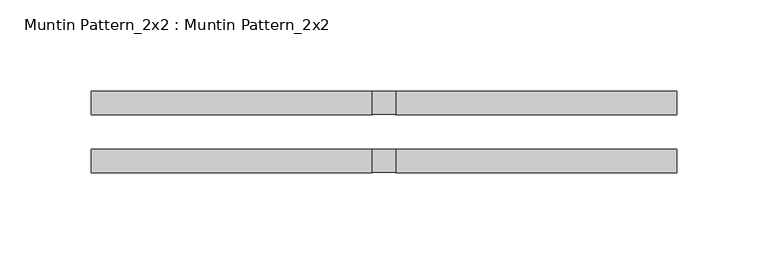
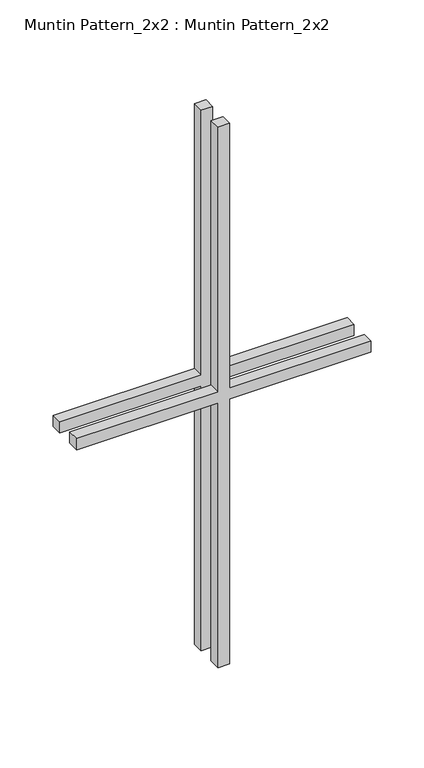
"""IFC4 building model written with IfcOpenShell, lengths in millimetres: proxy geometry, Muntin Pattern_2x2 : Muntin Pattern_2x2."""

import ifcopenshell
import ifcopenshell.guid

model = None  # the IFC model being written
_history = None  # IfcOwnerHistory: only IFC2X3 demands one
_inside = {}  # id of a spatial element -> (the spatial element, [elements in it])
_under = {}  # id of a project, library or spatial element -> (it, [spatial elements below it])
_declared = {}  # id of a project -> (the project, [libraries it declares])
_typed = {}  # id of a type object -> (the type object, [elements of that type])
_made_of = {}  # id of a material, layer set ... -> (it, [elements and type objects made of it])


def new_model(schema):
    """Start an empty IFC model of exactly this schema.

    Asked for "IFC4X3", IfcOpenShell would pick the latest addendum, in which some entities
    have other attributes; the version numbers below select the first issue.
    IFC2X3 requires an IfcOwnerHistory on every rooted entity: one is made here for all.
    """
    global model, _history
    if schema == "IFC4X3":
        model = ifcopenshell.file(schema_version=(4, 3, 0, 0))
    else:
        model = ifcopenshell.file(schema=schema)
    _inside.clear()
    _under.clear()
    _declared.clear()
    _typed.clear()
    _made_of.clear()
    _history = None
    if model.schema == "IFC2X3":
        org = make("IfcOrganization", Name="unknown")
        user = make(
            "IfcPersonAndOrganization",
            ThePerson=make("IfcPerson", FamilyName="unknown"),
            TheOrganization=org,
        )
        app = make(
            "IfcApplication",
            ApplicationDeveloper=org,
            Version="unknown",
            ApplicationFullName="unknown",
            ApplicationIdentifier="unknown",
        )
        _history = make(
            "IfcOwnerHistory",
            OwningUser=user,
            OwningApplication=app,
            ChangeAction="ADDED",
            CreationDate=0,
        )
    return model


def make(cls, **values):
    """One entity of the class cls with the attributes given. An attribute that is None is left unset."""
    return model.create_entity(
        cls, **{name: value for name, value in values.items() if value is not None}
    )


def rooted(cls, **values):
    """An entity with a GlobalId (a new one), such as an element, a storey or a relation."""
    return make(cls, GlobalId=ifcopenshell.guid.new(), OwnerHistory=_history, **values)


def si_unit(unit_type, name, prefix=None):
    """IfcSIUnit, for example si_unit("LENGTHUNIT", "METRE", prefix="MILLI")."""
    return make("IfcSIUnit", UnitType=unit_type, Prefix=prefix, Name=name)


def assignment(units):
    """IfcUnitAssignment: the units of a project."""
    return None if units is None else make("IfcUnitAssignment", Units=units)


def point(xyz):
    """IfcCartesianPoint."""
    return None if xyz is None else make("IfcCartesianPoint", Coordinates=xyz)


def direction(xyz):
    """IfcDirection."""
    return None if xyz is None else make("IfcDirection", DirectionRatios=xyz)


def frame(location, z_axis=None, x_axis=None):
    """IfcAxis2Placement3D, a coordinate frame: its origin and axes. An axis left out is left unset."""
    return make(
        "IfcAxis2Placement3D",
        Location=point(location),
        Axis=direction(z_axis),
        RefDirection=direction(x_axis),
    )


def origin():
    """The frame at (0, 0, 0) with its axes left unset."""
    return frame((0.0, 0.0, 0.0))


def place(relative_to, where):
    """IfcLocalPlacement: puts the frame where relative to a parent placement (None: the world)."""
    return make(
        "IfcLocalPlacement", PlacementRelTo=relative_to, RelativePlacement=where
    )


def context(
    kind, dimensions, precision=None, world=None, true_north=None, identifier=None
):
    """IfcGeometricRepresentationContext, for example the 3D "Model" context."""
    return make(
        "IfcGeometricRepresentationContext",
        ContextIdentifier=identifier,
        ContextType=kind,
        CoordinateSpaceDimension=dimensions,
        Precision=precision,
        WorldCoordinateSystem=world,
        TrueNorth=true_north,
    )


def project(units=None, contexts=None):
    """IfcProject with its units and contexts."""
    return rooted(
        "IfcProject",
        Name="project",
        RepresentationContexts=contexts,
        UnitsInContext=assignment(units),
    )


def spatial(cls, under=None, at=None, **own):
    """A site, building, storey or space (cls), placed at a placement, below another one or the project."""
    s = rooted(cls, ObjectPlacement=at, **own)
    if under is not None:
        _under.setdefault(under.id(), (under, []))[1].append(s)
    return s


def polyline(points):
    """IfcPolyline through the points."""
    return make("IfcPolyline", Points=[point(p) for p in points])


def outline(outer, holes=None, kind="AREA"):
    """IfcArbitraryClosedProfileDef: a profile drawn as a closed curve; with holes, ...WithVoids."""
    if holes is None:
        return make("IfcArbitraryClosedProfileDef", ProfileType=kind, OuterCurve=outer)
    return make(
        "IfcArbitraryProfileDefWithVoids",
        ProfileType=kind,
        OuterCurve=outer,
        InnerCurves=holes,
    )


def extrude(swept, where, along, depth):
    """IfcExtrudedAreaSolid: the profile swept, set in the frame where, extruded along a direction by depth."""
    return make(
        "IfcExtrudedAreaSolid",
        SweptArea=swept,
        Position=where,
        ExtrudedDirection=direction(along),
        Depth=depth,
    )


def shape(context_of_items, identifier, shape_type, items):
    """IfcShapeRepresentation: the items that make up one representation, for example the "Body"."""
    return make(
        "IfcShapeRepresentation",
        ContextOfItems=context_of_items,
        RepresentationIdentifier=identifier,
        RepresentationType=shape_type,
        Items=items,
    )


def source(mapping_origin, context_of_items, identifier, shape_type, items):
    """IfcRepresentationMap: a shape defined once, which mapped items show again and again."""
    return make(
        "IfcRepresentationMap",
        MappingOrigin=mapping_origin,
        MappedRepresentation=shape(context_of_items, identifier, shape_type, items),
    )


def transform(
    local_origin,
    x_axis=None,
    y_axis=None,
    z_axis=None,
    scale=None,
    scale2=None,
    scale3=None,
    uniform=True,
):
    """IfcCartesianTransformationOperator3D, or its non-uniform kind. x_axis, y_axis, z_axis: its Axis1, 2, 3."""
    if uniform:
        return make(
            "IfcCartesianTransformationOperator3D",
            Axis1=direction(x_axis),
            Axis2=direction(y_axis),
            LocalOrigin=point(local_origin),
            Scale=scale,
            Axis3=direction(z_axis),
        )
    return make(
        "IfcCartesianTransformationOperator3DnonUniform",
        Axis1=direction(x_axis),
        Axis2=direction(y_axis),
        LocalOrigin=point(local_origin),
        Scale=scale,
        Axis3=direction(z_axis),
        Scale2=scale2,
        Scale3=scale3,
    )


def mapped(mapping_source, mapping_target):
    """IfcMappedItem: shows the shape of a source again, moved by a transform."""
    return make(
        "IfcMappedItem", MappingSource=mapping_source, MappingTarget=mapping_target
    )


def made_of(thing, what):
    """Note that an element or type object is made of a material, layer set ...; save() writes the relation."""
    if what is not None:
        _made_of.setdefault(what.id(), (what, []))[1].append(thing)
    return thing


def element(
    cls,
    number,
    at=None,
    inside=None,
    cuts=None,
    type_object=None,
    material=None,
    context=None,
    identifier="Body",
    shape_type=None,
    held_by="IfcProductDefinitionShape",
    body=None,
    shapes=None,
    **own,
):
    """One element of the class cls, such as IfcWall. Its Tag is "e" and its number.

    at: its placement. inside: the storey or other place that contains it. cuts: it is an
    opening in that element (IfcRelVoidsElement). A single representation is given by context,
    identifier, shape_type and body (its items); several are given by shapes. held_by: the class
    of the entity that holds the representations. save() writes the other relations.
    """
    e = rooted(cls, Tag="e%d" % number, ObjectPlacement=at, **own)
    if body is not None:
        shapes = [shape(context, identifier, shape_type, body)]
    if shapes is not None:
        e.Representation = make(held_by, Representations=shapes)
    if inside is not None:
        _inside.setdefault(inside.id(), (inside, []))[1].append(e)
    if cuts is not None:
        rooted(
            "IfcRelVoidsElement", RelatingBuildingElement=cuts, RelatedOpeningElement=e
        )
    if type_object is not None:
        _typed.setdefault(type_object.id(), (type_object, []))[1].append(e)
    return made_of(e, material)


def aggregate(whole, parts):
    """IfcRelAggregates: a whole, such as a stair, and the parts it consists of."""
    return rooted("IfcRelAggregates", RelatingObject=whole, RelatedObjects=parts)


def save(model, path):
    """Write the relations noted so far, then the file.

    IfcRelAggregates (storeys below a building ...), IfcRelContainedInSpatialStructure (elements
    in a storey), IfcRelDefinesByType, IfcRelAssociatesMaterial and IfcRelDeclares: one each for
    every whole, place, type object, material and project.
    """
    for whole, parts in _under.values():
        aggregate(whole, parts)
    for where, things in _inside.values():
        rooted(
            "IfcRelContainedInSpatialStructure",
            RelatedElements=things,
            RelatingStructure=where,
        )
    for kind, things in _typed.values():
        rooted("IfcRelDefinesByType", RelatedObjects=things, RelatingType=kind)
    for what, things in _made_of.values():
        rooted("IfcRelAssociatesMaterial", RelatedObjects=things, RelatingMaterial=what)
    for by, libraries in _declared.values():
        rooted("IfcRelDeclares", RelatingContext=by, RelatedDefinitions=libraries)
    model.write(path)


def muntin_pattern_2x2_muntin_pattern_2x2_e448f6fa(model_context):
    return source(origin(), model_context, "Body", "SweptSolid", [
        extrude(outline(polyline([(317.5, -6.35), (317.5, -160.3375), (304.8, -160.3375), (304.8, -6.35), (0.0, -6.35), (0.0, 6.35), (304.8, 6.35), (304.8, 160.3375), (317.5, 160.3375), (317.5, 6.35), (622.3, 6.35), (622.3, -6.35), (317.5, -6.35)])), frame((0.0, 9.525, 0.0), z_axis=(0.0, 1.0, 0.0), x_axis=(0.0, 0.0, 1.0)), (0.0, 0.0, 1.0), 12.7),
        extrude(outline(polyline([(317.5, -6.35), (317.5, -160.3375), (304.8, -160.3375), (304.8, -6.35), (0.0, -6.35), (0.0, 6.35), (304.8, 6.35), (304.8, 160.3375), (317.5, 160.3375), (317.5, 6.35), (622.3, 6.35), (622.3, -6.35), (317.5, -6.35)])), frame((0.0, -22.225, 0.0), z_axis=(0.0, 1.0, 0.0), x_axis=(0.0, 0.0, 1.0)), (0.0, 0.0, 1.0), 12.7),
    ])


if __name__ == "__main__":
    model = new_model("IFC4")
    model_context = context("Model", 3, world=origin())
    ifc_project = project(units=[si_unit("LENGTHUNIT", "METRE", prefix="MILLI")], contexts=[model_context])
    site = spatial("IfcSite", under=ifc_project)
    building = spatial("IfcBuilding", under=site)
    placement = place(None, origin())
    muntin_pattern_2x2_muntin_pattern_2x2_shape = muntin_pattern_2x2_muntin_pattern_2x2_e448f6fa(model_context)
    element("IfcBuildingElementProxy", 1, Name="Muntin Pattern_2x2 : Muntin Pattern_2x2", ObjectType="Muntin Pattern_2x2 : Muntin Pattern_2x2", at=placement, inside=building, context=model_context, shape_type="MappedRepresentation", body=[
        mapped(muntin_pattern_2x2_muntin_pattern_2x2_shape, transform((0.0, 0.0, 0.0), x_axis=(1.0, 0.0, 0.0), y_axis=(0.0, 1.0, 0.0), z_axis=(0.0, 0.0, 1.0))),
    ])
    save(model, "model.ifc")
